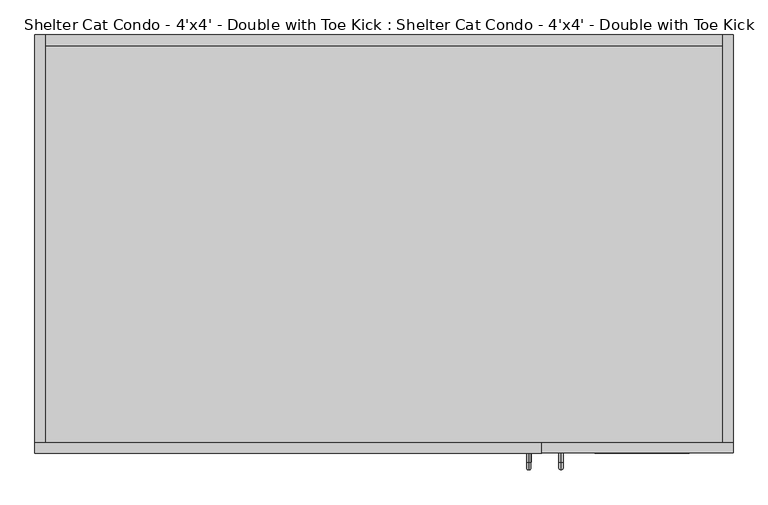
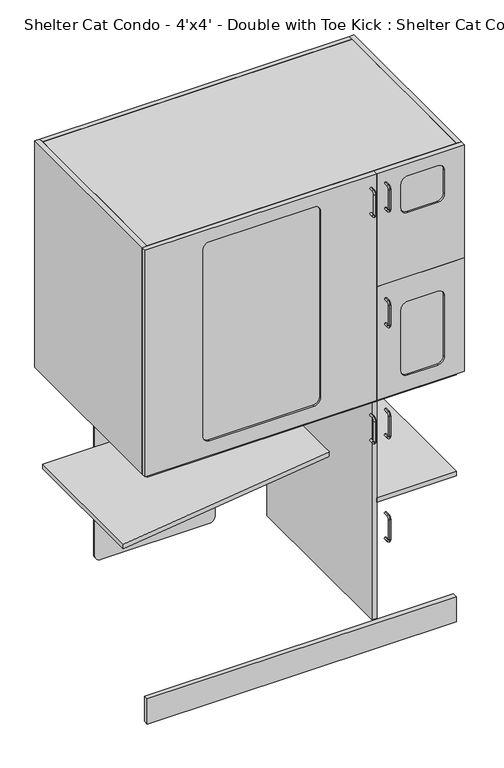
"""IFC4 building model written with IfcOpenShell, lengths in millimetres: proxy geometry, Shelter Cat Condo - 4'x4' - Double with Toe Kick : Shelter Cat Condo - 4'x4' - Double with Toe Kick."""

from ifc_helpers import new_model, si_unit, point, frame, frame_2d, origin, origin_with_axes, place, context, project, spatial, polyline, circle_curve, ellipse_curve, trimmed, segment, composite_curve, outline, extrude, source, transform, mapped, element, save
from ifc_brep_helpers import plane_surface, cylinder_surface, revolved_surface, advanced_brep


def shelter_cat_condo_4_x4_double_with_toe_kick_shelter_cat_0fa7df83(model_context):
    return source(origin(), model_context, "Body", "SolidModel", [
        advanced_brep(
        [(-300.4311186, -18.7492455, 1877.2618154), (-300.4311186, -18.7492455, 1885.1131846), (-300.4311186, -34.9110223, 1885.1131846), (-300.4311186, -34.9110223, 1877.2618154), (-300.4311186, -48.0749301, 1871.9492768), (-300.4311186, -40.2235609, 1871.9492768), (-300.4311186, -48.0749301, 1788.8257232), (-300.4311186, -40.2235609, 1788.8257232), (-300.4311186, -34.9110223, 1775.6618154), (-300.4311186, -34.9110223, 1783.5131846), (-300.4311186, -18.7492455, 1783.5131846), (-300.4311186, -18.7492455, 1775.6618154)],
        [
            (0, 1, circle_curve(frame((-300.4311186, -18.7492455, 1881.1875), z_axis=(0.0, 1.0, 0.0), x_axis=(0.0, 0.0, 1.0)), 3.9256846)),
            (1, 0, circle_curve(frame((-300.4311186, -18.7492455, 1881.1875), z_axis=(0.0, 1.0, 0.0), x_axis=(0.0, 0.0, 1.0)), 3.9256846)),
            (1, 2),
            (2, 3, circle_curve(frame((-300.4311186, -34.9110223, 1881.1875), z_axis=(0.0, 1.0, 0.0), x_axis=(0.0, 0.0, 1.0)), 3.9256846)),
            (3, 0),
            (3, 2, circle_curve(frame((-300.4311186, -34.9110223, 1881.1875), z_axis=(0.0, 1.0, 0.0), x_axis=(0.0, 0.0, 1.0)), 3.9256846)),
            (4, 5, circle_curve(frame((-300.4311186, -44.1492455, 1871.9492768), z_axis=(0.0, 0.0, 1.0), x_axis=(0.0, -1.0, 0.0)), 3.9256846)),
            (5, 3, circle_curve(frame((-300.4311186, -34.9110223, 1871.9492768), z_axis=(-1.0, 0.0, 0.0), x_axis=(0.0, 0.0, 1.0)), 5.3125387)),
            (2, 4, circle_curve(frame((-300.4311186, -34.9110223, 1871.9492768), z_axis=(1.0, 0.0, 0.0), x_axis=(0.0, 0.0, 1.0)), 13.1639078)),
            (5, 4, circle_curve(frame((-300.4311186, -44.1492455, 1871.9492768), z_axis=(0.0, 0.0, 1.0), x_axis=(0.0, -1.0, 0.0)), 3.9256846)),
            (4, 6),
            (6, 7, circle_curve(frame((-300.4311186, -44.1492455, 1788.8257232), z_axis=(0.0, 0.0, 1.0), x_axis=(0.0, -1.0, 0.0)), 3.9256846)),
            (7, 5),
            (7, 6, circle_curve(frame((-300.4311186, -44.1492455, 1788.8257232), z_axis=(0.0, 0.0, 1.0), x_axis=(0.0, -1.0, 0.0)), 3.9256846)),
            (8, 9, circle_curve(frame((-300.4311186, -34.9110223, 1779.5875), z_axis=(0.0, -1.0, 0.0), x_axis=(0.0, 0.0, -1.0)), 3.9256846)),
            (9, 7, circle_curve(frame((-300.4311186, -34.9110223, 1788.8257232), z_axis=(-1.0, 0.0, 0.0), x_axis=(0.0, -1.0, 0.0)), 5.3125387)),
            (6, 8, circle_curve(frame((-300.4311186, -34.9110223, 1788.8257232), z_axis=(1.0, 0.0, 0.0), x_axis=(0.0, -1.0, 0.0)), 13.1639078)),
            (9, 8, circle_curve(frame((-300.4311186, -34.9110223, 1779.5875), z_axis=(0.0, -1.0, 0.0), x_axis=(0.0, 0.0, -1.0)), 3.9256846)),
            (10, 11, circle_curve(frame((-300.4311186, -18.7492455, 1779.5875), z_axis=(0.0, 1.0, 0.0), x_axis=(0.0, 0.0, -1.0)), 3.9256846)),
            (11, 10, circle_curve(frame((-300.4311186, -18.7492455, 1779.5875), z_axis=(0.0, 1.0, 0.0), x_axis=(0.0, 0.0, -1.0)), 3.9256846)),
            (8, 11),
            (10, 9),
        ],
        [
            plane_surface(frame((-300.4311186, -18.7492455, 1881.1875), z_axis=(0.0, 1.0, 0.0), x_axis=(-1.0, 0.0, 0.0))),
            cylinder_surface(frame((-300.4311186, -18.7492455, 1881.1875), z_axis=(0.0, 1.0, 0.0), x_axis=(0.0, 0.0, 1.0)), 3.9256846),
            revolved_surface(trimmed(ellipse_curve(frame((-300.4311186, -34.9110223, 1881.1875), z_axis=(0.0, -1.0, 0.0), x_axis=(0.0, 0.0, 1.0)), 3.9256846, 3.9256846), [point((-300.4311186, -34.9110223, 1877.2618154))], [point((-300.4311186, -34.9110223, 1885.1131846))], True, "CARTESIAN"), (-300.4311186, -34.9110223, 1871.9492768), (-1.0, 0.0, 0.0)),
            revolved_surface(trimmed(ellipse_curve(frame((-300.4311186, -34.9110223, 1881.1875), z_axis=(0.0, -1.0, 0.0), x_axis=(0.0, 0.0, 1.0)), 3.9256846, 3.9256846), [point((-300.4311186, -34.9110223, 1885.1131846))], [point((-300.4311186, -34.9110223, 1877.2618154))], True, "CARTESIAN"), (-300.4311186, -34.9110223, 1871.9492768), (-1.0, 0.0, 0.0)),
            cylinder_surface(frame((-300.4311186, -44.1492455, 1871.9492768), z_axis=(0.0, 0.0, 1.0), x_axis=(0.0, -1.0, 0.0)), 3.9256846),
            revolved_surface(trimmed(ellipse_curve(frame((-300.4311186, -44.1492455, 1788.8257232), z_axis=(0.0, 0.0, -1.0), x_axis=(0.0, -1.0, 0.0)), 3.9256846, 3.9256846), [point((-300.4311186, -40.2235609, 1788.8257232))], [point((-300.4311186, -48.0749301, 1788.8257232))], True, "CARTESIAN"), (-300.4311186, -34.9110223, 1788.8257232), (-1.0, 0.0, 0.0)),
            revolved_surface(trimmed(ellipse_curve(frame((-300.4311186, -44.1492455, 1788.8257232), z_axis=(0.0, 0.0, -1.0), x_axis=(0.0, -1.0, 0.0)), 3.9256846, 3.9256846), [point((-300.4311186, -48.0749301, 1788.8257232))], [point((-300.4311186, -40.2235609, 1788.8257232))], True, "CARTESIAN"), (-300.4311186, -34.9110223, 1788.8257232), (-1.0, 0.0, 0.0)),
            plane_surface(frame((-300.4311186, -18.7492455, 1779.5875), z_axis=(0.0, 1.0, 0.0), x_axis=(-1.0, 0.0, 0.0))),
            cylinder_surface(frame((-300.4311186, -34.9110223, 1779.5875), z_axis=(0.0, -1.0, 0.0), x_axis=(0.0, 0.0, -1.0)), 3.9256846),
        ],
        [
            (0, [[1, 2]]),
            (1, [[3, 4, 5, -2]]),
            (1, [[-5, 6, -3, -1]]),
            (2, [[7, 8, -4, 9]]),
            (3, [[10, -9, -6, -8]]),
            (4, [[11, 12, 13, -7]]),
            (4, [[-13, 14, -11, -10]]),
            (5, [[15, 16, -12, 17]]),
            (6, [[18, -17, -14, -16]]),
            (7, [[19, 20]]),
            (8, [[21, -19, 22, -15]]),
            (8, [[-22, -20, -21, -18]]),
        ],
    ),
        advanced_brep(
        [(-300.4311186, -18.7492455, 1410.5368154), (-300.4311186, -18.7492455, 1418.3881846), (-300.4311186, -34.9110223, 1418.3881846), (-300.4311186, -34.9110223, 1410.5368154), (-300.4311186, -48.0749301, 1405.2242768), (-300.4311186, -40.2235609, 1405.2242768), (-300.4311186, -48.0749301, 1322.1007232), (-300.4311186, -40.2235609, 1322.1007232), (-300.4311186, -34.9110223, 1308.9368154), (-300.4311186, -34.9110223, 1316.7881846), (-300.4311186, -18.7492455, 1316.7881846), (-300.4311186, -18.7492455, 1308.9368154)],
        [
            (0, 1, circle_curve(frame((-300.4311186, -18.7492455, 1414.4625), z_axis=(0.0, 1.0, 0.0), x_axis=(0.0, 0.0, 1.0)), 3.9256846)),
            (1, 0, circle_curve(frame((-300.4311186, -18.7492455, 1414.4625), z_axis=(0.0, 1.0, 0.0), x_axis=(0.0, 0.0, 1.0)), 3.9256846)),
            (1, 2),
            (2, 3, circle_curve(frame((-300.4311186, -34.9110223, 1414.4625), z_axis=(0.0, 1.0, 0.0), x_axis=(0.0, 0.0, 1.0)), 3.9256846)),
            (3, 0),
            (3, 2, circle_curve(frame((-300.4311186, -34.9110223, 1414.4625), z_axis=(0.0, 1.0, 0.0), x_axis=(0.0, 0.0, 1.0)), 3.9256846)),
            (4, 5, circle_curve(frame((-300.4311186, -44.1492455, 1405.2242768), z_axis=(0.0, 0.0, 1.0), x_axis=(0.0, -1.0, 0.0)), 3.9256846)),
            (5, 3, circle_curve(frame((-300.4311186, -34.9110223, 1405.2242768), z_axis=(-1.0, 0.0, 0.0), x_axis=(0.0, 0.0, 1.0)), 5.3125387)),
            (2, 4, circle_curve(frame((-300.4311186, -34.9110223, 1405.2242768), z_axis=(1.0, 0.0, 0.0), x_axis=(0.0, 0.0, 1.0)), 13.1639078)),
            (5, 4, circle_curve(frame((-300.4311186, -44.1492455, 1405.2242768), z_axis=(0.0, 0.0, 1.0), x_axis=(0.0, -1.0, 0.0)), 3.9256846)),
            (4, 6),
            (6, 7, circle_curve(frame((-300.4311186, -44.1492455, 1322.1007232), z_axis=(0.0, 0.0, 1.0), x_axis=(0.0, -1.0, 0.0)), 3.9256846)),
            (7, 5),
            (7, 6, circle_curve(frame((-300.4311186, -44.1492455, 1322.1007232), z_axis=(0.0, 0.0, 1.0), x_axis=(0.0, -1.0, 0.0)), 3.9256846)),
            (8, 9, circle_curve(frame((-300.4311186, -34.9110223, 1312.8625), z_axis=(0.0, -1.0, 0.0), x_axis=(0.0, 0.0, -1.0)), 3.9256846)),
            (9, 7, circle_curve(frame((-300.4311186, -34.9110223, 1322.1007232), z_axis=(-1.0, 0.0, 0.0), x_axis=(0.0, -1.0, 0.0)), 5.3125387)),
            (6, 8, circle_curve(frame((-300.4311186, -34.9110223, 1322.1007232), z_axis=(1.0, 0.0, 0.0), x_axis=(0.0, -1.0, 0.0)), 13.1639078)),
            (9, 8, circle_curve(frame((-300.4311186, -34.9110223, 1312.8625), z_axis=(0.0, -1.0, 0.0), x_axis=(0.0, 0.0, -1.0)), 3.9256846)),
            (10, 11, circle_curve(frame((-300.4311186, -18.7492455, 1312.8625), z_axis=(0.0, 1.0, 0.0), x_axis=(0.0, 0.0, -1.0)), 3.9256846)),
            (11, 10, circle_curve(frame((-300.4311186, -18.7492455, 1312.8625), z_axis=(0.0, 1.0, 0.0), x_axis=(0.0, 0.0, -1.0)), 3.9256846)),
            (8, 11),
            (10, 9),
        ],
        [
            plane_surface(frame((-300.4311186, -18.7492455, 1414.4625), z_axis=(0.0, 1.0, 0.0), x_axis=(-1.0, 0.0, 0.0))),
            cylinder_surface(frame((-300.4311186, -18.7492455, 1414.4625), z_axis=(0.0, 1.0, 0.0), x_axis=(0.0, 0.0, 1.0)), 3.9256846),
            revolved_surface(trimmed(ellipse_curve(frame((-300.4311186, -34.9110223, 1414.4625), z_axis=(0.0, -1.0, 0.0), x_axis=(0.0, 0.0, 1.0)), 3.9256846, 3.9256846), [point((-300.4311186, -34.9110223, 1410.5368154))], [point((-300.4311186, -34.9110223, 1418.3881846))], True, "CARTESIAN"), (-300.4311186, -34.9110223, 1405.2242768), (-1.0, 0.0, 0.0)),
            revolved_surface(trimmed(ellipse_curve(frame((-300.4311186, -34.9110223, 1414.4625), z_axis=(0.0, -1.0, 0.0), x_axis=(0.0, 0.0, 1.0)), 3.9256846, 3.9256846), [point((-300.4311186, -34.9110223, 1418.3881846))], [point((-300.4311186, -34.9110223, 1410.5368154))], True, "CARTESIAN"), (-300.4311186, -34.9110223, 1405.2242768), (-1.0, 0.0, 0.0)),
            cylinder_surface(frame((-300.4311186, -44.1492455, 1405.2242768), z_axis=(0.0, 0.0, 1.0), x_axis=(0.0, -1.0, 0.0)), 3.9256846),
            revolved_surface(trimmed(ellipse_curve(frame((-300.4311186, -44.1492455, 1322.1007232), z_axis=(0.0, 0.0, -1.0), x_axis=(0.0, -1.0, 0.0)), 3.9256846, 3.9256846), [point((-300.4311186, -40.2235609, 1322.1007232))], [point((-300.4311186, -48.0749301, 1322.1007232))], True, "CARTESIAN"), (-300.4311186, -34.9110223, 1322.1007232), (-1.0, 0.0, 0.0)),
            revolved_surface(trimmed(ellipse_curve(frame((-300.4311186, -44.1492455, 1322.1007232), z_axis=(0.0, 0.0, -1.0), x_axis=(0.0, -1.0, 0.0)), 3.9256846, 3.9256846), [point((-300.4311186, -48.0749301, 1322.1007232))], [point((-300.4311186, -40.2235609, 1322.1007232))], True, "CARTESIAN"), (-300.4311186, -34.9110223, 1322.1007232), (-1.0, 0.0, 0.0)),
            plane_surface(frame((-300.4311186, -18.7492455, 1312.8625), z_axis=(0.0, 1.0, 0.0), x_axis=(-1.0, 0.0, 0.0))),
            cylinder_surface(frame((-300.4311186, -34.9110223, 1312.8625), z_axis=(0.0, -1.0, 0.0), x_axis=(0.0, 0.0, -1.0)), 3.9256846),
        ],
        [
            (0, [[1, 2]]),
            (1, [[3, 4, 5, -2]]),
            (1, [[-5, 6, -3, -1]]),
            (2, [[7, 8, -4, 9]]),
            (3, [[10, -9, -6, -8]]),
            (4, [[11, 12, 13, -7]]),
            (4, [[-13, 14, -11, -10]]),
            (5, [[15, 16, -12, 17]]),
            (6, [[18, -17, -14, -16]]),
            (7, [[19, 20]]),
            (8, [[21, -19, 22, -15]]),
            (8, [[-22, -20, -21, -18]]),
        ],
    ),
        advanced_brep(
        [(-356.8121577, -19.05, 1875.6743154), (-356.8121577, -19.05, 1883.5256846), (-356.8121577, -35.2117768, 1875.6743154), (-356.8121577, -35.2117768, 1883.5256846), (-356.8121577, -48.3756846, 1870.3617768), (-356.8121577, -40.5243154, 1870.3617768), (-356.8121577, -40.5243154, 1787.2382232), (-356.8121577, -48.3756846, 1787.2382232), (-356.8121577, -35.2117768, 1774.0743154), (-356.8121577, -35.2117768, 1781.9256846), (-356.8121577, -19.05, 1781.9256846), (-356.8121577, -19.05, 1774.0743154)],
        [
            (0, 1, circle_curve(frame((-356.8121577, -19.05, 1879.6), z_axis=(0.0, 1.0, 0.0), x_axis=(0.0, 0.0, 1.0)), 3.9256846)),
            (1, 0, circle_curve(frame((-356.8121577, -19.05, 1879.6), z_axis=(0.0, 1.0, 0.0), x_axis=(0.0, 0.0, 1.0)), 3.9256846)),
            (0, 2),
            (2, 3, circle_curve(frame((-356.8121577, -35.2117768, 1879.6), z_axis=(0.0, 1.0, 0.0), x_axis=(0.0, 0.0, 1.0)), 3.9256846)),
            (3, 1),
            (3, 2, circle_curve(frame((-356.8121577, -35.2117768, 1879.6), z_axis=(0.0, 1.0, 0.0), x_axis=(0.0, 0.0, 1.0)), 3.9256846)),
            (4, 3, circle_curve(frame((-356.8121577, -35.2117768, 1870.3617768), z_axis=(-1.0, 0.0, 0.0), x_axis=(0.0, 0.0, 1.0)), 13.1639078)),
            (2, 5, circle_curve(frame((-356.8121577, -35.2117768, 1870.3617768), z_axis=(1.0, 0.0, 0.0), x_axis=(0.0, 0.0, 1.0)), 5.3125387)),
            (5, 4, circle_curve(frame((-356.8121577, -44.45, 1870.3617768), z_axis=(0.0, 0.0, 1.0), x_axis=(0.0, -1.0, 0.0)), 3.9256846)),
            (4, 5, circle_curve(frame((-356.8121577, -44.45, 1870.3617768), z_axis=(0.0, 0.0, 1.0), x_axis=(0.0, -1.0, 0.0)), 3.9256846)),
            (5, 6),
            (6, 7, circle_curve(frame((-356.8121577, -44.45, 1787.2382232), z_axis=(0.0, 0.0, 1.0), x_axis=(0.0, -1.0, 0.0)), 3.9256846)),
            (7, 4),
            (7, 6, circle_curve(frame((-356.8121577, -44.45, 1787.2382232), z_axis=(0.0, 0.0, 1.0), x_axis=(0.0, -1.0, 0.0)), 3.9256846)),
            (8, 7, circle_curve(frame((-356.8121577, -35.2117768, 1787.2382232), z_axis=(-1.0, 0.0, 0.0), x_axis=(0.0, -1.0, 0.0)), 13.1639078)),
            (6, 9, circle_curve(frame((-356.8121577, -35.2117768, 1787.2382232), z_axis=(1.0, 0.0, 0.0), x_axis=(0.0, -1.0, 0.0)), 5.3125387)),
            (9, 8, circle_curve(frame((-356.8121577, -35.2117768, 1778.0), z_axis=(0.0, -1.0, 0.0), x_axis=(0.0, 0.0, -1.0)), 3.9256846)),
            (8, 9, circle_curve(frame((-356.8121577, -35.2117768, 1778.0), z_axis=(0.0, -1.0, 0.0), x_axis=(0.0, 0.0, -1.0)), 3.9256846)),
            (10, 11, circle_curve(frame((-356.8121577, -19.05, 1778.0), z_axis=(0.0, 1.0, 0.0), x_axis=(0.0, 0.0, -1.0)), 3.9256846)),
            (11, 10, circle_curve(frame((-356.8121577, -19.05, 1778.0), z_axis=(0.0, 1.0, 0.0), x_axis=(0.0, 0.0, -1.0)), 3.9256846)),
            (9, 10),
            (11, 8),
        ],
        [
            plane_surface(frame((-356.8121577, -19.05, 1879.6), z_axis=(0.0, 1.0, 0.0), x_axis=(1.0, 0.0, 0.0))),
            cylinder_surface(frame((-356.8121577, -19.05, 1879.6), z_axis=(0.0, 1.0, 0.0), x_axis=(0.0, 0.0, 1.0)), 3.9256846),
            revolved_surface(trimmed(ellipse_curve(frame((-356.8121577, -35.2117768, 1879.6), z_axis=(0.0, 1.0, 0.0), x_axis=(0.0, 0.0, 1.0)), 3.9256846, 3.9256846), [point((-356.8121577, -35.2117768, 1875.6743154))], [point((-356.8121577, -35.2117768, 1883.5256846))], True, "CARTESIAN"), (-356.8121577, -35.2117768, 1870.3617768), (1.0, 0.0, 0.0)),
            revolved_surface(trimmed(ellipse_curve(frame((-356.8121577, -35.2117768, 1879.6), z_axis=(0.0, 1.0, 0.0), x_axis=(0.0, 0.0, 1.0)), 3.9256846, 3.9256846), [point((-356.8121577, -35.2117768, 1883.5256846))], [point((-356.8121577, -35.2117768, 1875.6743154))], True, "CARTESIAN"), (-356.8121577, -35.2117768, 1870.3617768), (1.0, 0.0, 0.0)),
            cylinder_surface(frame((-356.8121577, -44.45, 1870.3617768), z_axis=(0.0, 0.0, 1.0), x_axis=(0.0, -1.0, 0.0)), 3.9256846),
            revolved_surface(trimmed(ellipse_curve(frame((-356.8121577, -44.45, 1787.2382232), z_axis=(0.0, 0.0, 1.0), x_axis=(0.0, -1.0, 0.0)), 3.9256846, 3.9256846), [point((-356.8121577, -40.5243154, 1787.2382232))], [point((-356.8121577, -48.3756846, 1787.2382232))], True, "CARTESIAN"), (-356.8121577, -35.2117768, 1787.2382232), (1.0, 0.0, 0.0)),
            revolved_surface(trimmed(ellipse_curve(frame((-356.8121577, -44.45, 1787.2382232), z_axis=(0.0, 0.0, 1.0), x_axis=(0.0, -1.0, 0.0)), 3.9256846, 3.9256846), [point((-356.8121577, -48.3756846, 1787.2382232))], [point((-356.8121577, -40.5243154, 1787.2382232))], True, "CARTESIAN"), (-356.8121577, -35.2117768, 1787.2382232), (1.0, 0.0, 0.0)),
            plane_surface(frame((-356.8121577, -19.05, 1778.0), z_axis=(0.0, 1.0, 0.0), x_axis=(1.0, 0.0, 0.0))),
            cylinder_surface(frame((-356.8121577, -35.2117768, 1778.0), z_axis=(0.0, -1.0, 0.0), x_axis=(0.0, 0.0, -1.0)), 3.9256846),
        ],
        [
            (0, [[1, 2]]),
            (1, [[-1, 3, 4, 5]]),
            (1, [[-2, -5, 6, -3]]),
            (2, [[7, -4, 8, 9]]),
            (3, [[-8, -6, -7, 10]]),
            (4, [[-9, 11, 12, 13]]),
            (4, [[-10, -13, 14, -11]]),
            (5, [[15, -12, 16, 17]]),
            (6, [[-16, -14, -15, 18]]),
            (7, [[19, 20]]),
            (8, [[-17, 21, -20, 22]]),
            (8, [[-18, -22, -19, -21]]),
        ],
    ),
        extrude(outline(polyline([(1930.4, -19.05), (1930.4, -1200.15), (1016.0, -1200.15), (1016.0, -19.05), (1930.4, -19.05)]), holes=[composite_curve([segment(polyline([(1854.2, -547.8058786), (1101.725, -547.8058786)]), True, "CONTINUOUS"), segment(trimmed(circle_curve(frame_2d((1101.725, -573.2058786)), 25.4), [point((1101.725, -547.8058786))], [point((1076.325, -573.2058786))], True, "CARTESIAN"), True, "CONTINUOUS"), segment(polyline([(1076.325, -573.2058786), (1076.325, -972.7319653)]), True, "CONTINUOUS"), segment(trimmed(circle_curve(frame_2d((1101.725, -972.7319653)), 25.4), [point((1076.325, -972.7319653))], [point((1101.725, -998.1319653))], True, "CARTESIAN"), True, "CONTINUOUS"), segment(polyline([(1101.725, -998.1319653), (1854.2, -998.1319653)]), True, "CONTINUOUS"), segment(trimmed(circle_curve(frame_2d((1854.2, -972.7319653)), 25.4), [point((1854.2, -998.1319653))], [point((1879.6, -972.7319653))], True, "CARTESIAN"), True, "CONTINUOUS"), segment(polyline([(1879.6, -972.7319653), (1879.6, -573.2058786)]), True, "CONTINUOUS"), segment(trimmed(circle_curve(frame_2d((1854.2, -573.2058786)), 25.4), [point((1879.6, -573.2058786))], [point((1854.2, -547.8058786))], True, "CARTESIAN"), True, "CONTINUOUS")], self_intersect=False)]), frame((0.0, 692.15, 0.0), z_axis=(0.0, 1.0, 0.0), x_axis=(0.0, 0.0, 1.0)), (0.0, 0.0, 1.0), 19.05),
        extrude(outline(polyline([(-19.05, 692.15), (-19.05, 0.0), (-323.85, 0.0), (-323.85, 692.15), (-19.05, 692.15)])), frame((0.0, 0.0, 1503.3625), z_axis=(0.0, 0.0, 1.0), x_axis=(1.0, 0.0, 0.0)), (0.0, 0.0, 1.0), 19.05),
        extrude(outline(polyline([(-19.05, 692.15), (-19.05, 0.0), (-1200.15, 0.0), (-1200.15, 692.15), (-19.05, 692.15)])), frame((0.0, 0.0, 1911.35), z_axis=(0.0, 0.0, 1.0), x_axis=(1.0, 0.0, 0.0)), (0.0, 0.0, 1.0), 19.05),
        extrude(outline(polyline([(-342.9, 692.15), (-323.85, 692.15), (-323.85, 0.0), (-342.9, 0.0), (-342.9, 692.15)])), frame((0.0, 0.0, 1035.05), z_axis=(0.0, 0.0, 1.0), x_axis=(1.0, 0.0, 0.0)), (0.0, 0.0, 1.0), 876.3),
        extrude(outline(composite_curve([segment(polyline([(1879.6, -563.9176359), (1879.6, -972.7319653)]), True, "CONTINUOUS"), segment(trimmed(circle_curve(frame_2d((1854.2, -972.7319653)), 25.4), [point((1879.6, -972.7319653))], [point((1854.2, -998.1319653))], False, "CARTESIAN"), True, "CONTINUOUS"), segment(polyline([(1854.2, -998.1319653), (1101.725, -998.1319653)]), True, "CONTINUOUS"), segment(trimmed(circle_curve(frame_2d((1101.725, -972.7319653)), 25.4), [point((1101.725, -998.1319653))], [point((1076.325, -972.7319653))], False, "CARTESIAN"), True, "CONTINUOUS"), segment(polyline([(1076.325, -972.7319653), (1076.325, -563.9176359)]), True, "CONTINUOUS"), segment(trimmed(circle_curve(frame_2d((1101.725, -563.9176359)), 25.4), [point((1076.325, -563.9176359))], [point((1101.725, -538.5176359))], False, "CARTESIAN"), True, "CONTINUOUS"), segment(polyline([(1101.725, -538.5176359), (1854.2, -538.5176359)]), True, "CONTINUOUS"), segment(trimmed(circle_curve(frame_2d((1854.2, -563.9176359)), 25.4), [point((1854.2, -538.5176359))], [point((1879.6, -563.9176359))], False, "CARTESIAN"), True, "CONTINUOUS")], self_intersect=False)), frame((0.0, 698.5, 0.0), z_axis=(0.0, 1.0, 0.0), x_axis=(0.0, 0.0, 1.0)), (0.0, 0.0, 1.0), 6.35),
        extrude(outline(polyline([(-342.9, 692.15), (-342.9, 279.4), (-1200.15, 158.75), (-1200.15, 692.15), (-342.9, 692.15)])), frame((0.0, 0.0, 1464.2277216), z_axis=(0.0, 0.0, 1.0), x_axis=(1.0, 0.0, 0.0)), (0.0, 0.0, 1.0), 19.05),
        extrude(outline(polyline([(-19.05, 0.0), (-1200.15, 0.0), (-1200.15, 692.15), (-19.05, 692.15), (-19.05, 0.0)])), frame((0.0, 0.0, 1016.0), z_axis=(0.0, 0.0, 1.0), x_axis=(1.0, 0.0, 0.0)), (0.0, 0.0, 1.0), 19.05),
        extrude(outline(polyline([(-19.05, 711.2), (0.0, 711.2), (0.0, 0.0), (-19.05, 0.0), (-19.05, 711.2)])), frame((0.0, 0.0, 1016.0), z_axis=(0.0, 0.0, 1.0), x_axis=(1.0, 0.0, 0.0)), (0.0, 0.0, 1.0), 914.4),
        extrude(outline(polyline([(-1200.15, 711.2), (-1200.15, 0.0), (-1219.2, 0.0), (-1219.2, 711.2), (-1200.15, 711.2)])), frame((0.0, 0.0, 1016.0), z_axis=(0.0, 0.0, 1.0), x_axis=(1.0, 0.0, 0.0)), (0.0, 0.0, 1.0), 914.4),
        extrude(outline(polyline([(1473.2, 0.0), (1473.2, -334.0187348), (1016.0, -334.0187348), (1016.0, 0.0), (1473.2, 0.0)]), holes=[composite_curve([segment(polyline([(1373.1875, -215.9), (1373.1875, -101.6)]), True, "CONTINUOUS"), segment(trimmed(circle_curve(frame_2d((1347.7875, -101.6)), 25.4), [point((1373.1875, -101.6))], [point((1347.7875, -76.2))], True, "CARTESIAN"), True, "CONTINUOUS"), segment(polyline([(1347.7875, -76.2), (1101.725, -76.2)]), True, "CONTINUOUS"), segment(trimmed(circle_curve(frame_2d((1101.725, -101.6)), 25.4), [point((1101.725, -76.2))], [point((1076.325, -101.6))], True, "CARTESIAN"), True, "CONTINUOUS"), segment(polyline([(1076.325, -101.6), (1076.325, -215.9)]), True, "CONTINUOUS"), segment(trimmed(circle_curve(frame_2d((1101.725, -215.9)), 25.4), [point((1076.325, -215.9))], [point((1101.725, -241.3))], True, "CARTESIAN"), True, "CONTINUOUS"), segment(polyline([(1101.725, -241.3), (1347.7875, -241.3)]), True, "CONTINUOUS"), segment(trimmed(circle_curve(frame_2d((1347.7875, -215.9)), 25.4), [point((1347.7875, -241.3))], [point((1373.1875, -215.9))], True, "CARTESIAN"), True, "CONTINUOUS")], self_intersect=False)]), frame((0.0, -18.7492455, 0.0), z_axis=(0.0, 1.0, 0.0), x_axis=(0.0, 0.0, 1.0)), (0.0, 0.0, 1.0), 19.05),
        extrude(outline(polyline([(1930.4, 0.0), (1930.4, -334.0187348), (1473.2, -334.0187348), (1473.2, 0.0), (1930.4, 0.0)]), holes=[composite_curve([segment(polyline([(1879.6, -215.9), (1879.6, -101.6)]), True, "CONTINUOUS"), segment(trimmed(circle_curve(frame_2d((1854.2, -101.6)), 25.4), [point((1879.6, -101.6))], [point((1854.2, -76.2))], True, "CARTESIAN"), True, "CONTINUOUS"), segment(polyline([(1854.2, -76.2), (1757.8355774, -76.2)]), True, "CONTINUOUS"), segment(trimmed(circle_curve(frame_2d((1757.8355774, -101.6)), 25.4), [point((1757.8355774, -76.2))], [point((1732.4355774, -101.6))], True, "CARTESIAN"), True, "CONTINUOUS"), segment(polyline([(1732.4355774, -101.6), (1732.4355774, -215.9)]), True, "CONTINUOUS"), segment(trimmed(circle_curve(frame_2d((1757.8355774, -215.9)), 25.4), [point((1732.4355774, -215.9))], [point((1757.8355774, -241.3))], True, "CARTESIAN"), True, "CONTINUOUS"), segment(polyline([(1757.8355774, -241.3), (1854.2, -241.3)]), True, "CONTINUOUS"), segment(trimmed(circle_curve(frame_2d((1854.2, -215.9)), 25.4), [point((1854.2, -241.3))], [point((1879.6, -215.9))], True, "CARTESIAN"), True, "CONTINUOUS")], self_intersect=False)]), frame((0.0, -18.7492455, 0.0), z_axis=(0.0, 1.0, 0.0), x_axis=(0.0, 0.0, 1.0)), (0.0, 0.0, 1.0), 19.05),
        extrude(outline(polyline([(1930.4, -334.0187348), (1930.4, -1219.2), (1016.0, -1219.2), (1016.0, -334.0187348), (1930.4, -334.0187348)]), holes=[composite_curve([segment(polyline([(1854.2, -549.1512666), (1101.725, -549.1512666)]), True, "CONTINUOUS"), segment(trimmed(circle_curve(frame_2d((1101.725, -574.5512666)), 25.4), [point((1101.725, -549.1512666))], [point((1076.325, -574.5512666))], True, "CARTESIAN"), True, "CONTINUOUS"), segment(polyline([(1076.325, -574.5512666), (1076.325, -973.2558786)]), True, "CONTINUOUS"), segment(trimmed(circle_curve(frame_2d((1101.725, -973.2558786)), 25.4), [point((1076.325, -973.2558786))], [point((1101.725, -998.6558786))], True, "CARTESIAN"), True, "CONTINUOUS"), segment(polyline([(1101.725, -998.6558786), (1854.2, -998.6558786)]), True, "CONTINUOUS"), segment(trimmed(circle_curve(frame_2d((1854.2, -973.2558786)), 25.4), [point((1854.2, -998.6558786))], [point((1879.6, -973.2558786))], True, "CARTESIAN"), True, "CONTINUOUS"), segment(polyline([(1879.6, -973.2558786), (1879.6, -574.5512666)]), True, "CONTINUOUS"), segment(trimmed(circle_curve(frame_2d((1854.2, -574.5512666)), 25.4), [point((1879.6, -574.5512666))], [point((1854.2, -549.1512666))], True, "CARTESIAN"), True, "CONTINUOUS")], self_intersect=False)]), frame((0.0, -19.05, 0.0), z_axis=(0.0, 1.0, 0.0), x_axis=(0.0, 0.0, 1.0)), (0.0, 0.0, 1.0), 19.05),
        extrude(outline(composite_curve([segment(polyline([(1879.6, -101.6), (1879.6, -215.9)]), True, "CONTINUOUS"), segment(trimmed(circle_curve(frame_2d((1854.2, -215.9)), 25.4), [point((1879.6, -215.9))], [point((1854.2, -241.3))], False, "CARTESIAN"), True, "CONTINUOUS"), segment(polyline([(1854.2, -241.3), (1757.8355774, -241.3)]), True, "CONTINUOUS"), segment(trimmed(circle_curve(frame_2d((1757.8355774, -215.9)), 25.4), [point((1757.8355774, -241.3))], [point((1732.4355774, -215.9))], False, "CARTESIAN"), True, "CONTINUOUS"), segment(polyline([(1732.4355774, -215.9), (1732.4355774, -101.6)]), True, "CONTINUOUS"), segment(trimmed(circle_curve(frame_2d((1757.8355774, -101.6)), 25.4), [point((1732.4355774, -101.6))], [point((1757.8355774, -76.2))], False, "CARTESIAN"), True, "CONTINUOUS"), segment(polyline([(1757.8355774, -76.2), (1854.2, -76.2)]), True, "CONTINUOUS"), segment(trimmed(circle_curve(frame_2d((1854.2, -101.6)), 25.4), [point((1854.2, -76.2))], [point((1879.6, -101.6))], False, "CARTESIAN"), True, "CONTINUOUS")], self_intersect=False)), frame((0.0, -12.7, 0.0), z_axis=(0.0, 1.0, 0.0), x_axis=(0.0, 0.0, 1.0)), (0.0, 0.0, 1.0), 6.35),
        extrude(outline(composite_curve([segment(polyline([(1879.6, -101.6), (1879.6, -215.9)]), True, "CONTINUOUS"), segment(trimmed(circle_curve(frame_2d((1854.2, -215.9)), 25.4), [point((1879.6, -215.9))], [point((1854.2, -241.3))], False, "CARTESIAN"), True, "CONTINUOUS"), segment(polyline([(1854.2, -241.3), (1757.8355774, -241.3)]), True, "CONTINUOUS"), segment(trimmed(circle_curve(frame_2d((1757.8355774, -215.9)), 25.4), [point((1757.8355774, -241.3))], [point((1732.4355774, -215.9))], False, "CARTESIAN"), True, "CONTINUOUS"), segment(polyline([(1732.4355774, -215.9), (1732.4355774, -101.6)]), True, "CONTINUOUS"), segment(trimmed(circle_curve(frame_2d((1757.8355774, -101.6)), 25.4), [point((1732.4355774, -101.6))], [point((1757.8355774, -76.2))], False, "CARTESIAN"), True, "CONTINUOUS"), segment(polyline([(1757.8355774, -76.2), (1854.2, -76.2)]), True, "CONTINUOUS"), segment(trimmed(circle_curve(frame_2d((1854.2, -101.6)), 25.4), [point((1854.2, -76.2))], [point((1879.6, -101.6))], False, "CARTESIAN"), True, "CONTINUOUS")], self_intersect=False)), frame((0.0, -12.7, 0.0), z_axis=(0.0, 1.0, 0.0), x_axis=(0.0, 0.0, 1.0)), (0.0, 0.0, 1.0), 6.35),
        extrude(outline(composite_curve([segment(polyline([(1373.1875, -101.6), (1373.1875, -215.9)]), True, "CONTINUOUS"), segment(trimmed(circle_curve(frame_2d((1347.7875, -215.9)), 25.4), [point((1373.1875, -215.9))], [point((1347.7875, -241.3))], False, "CARTESIAN"), True, "CONTINUOUS"), segment(polyline([(1347.7875, -241.3), (1101.725, -241.3)]), True, "CONTINUOUS"), segment(trimmed(circle_curve(frame_2d((1101.725, -215.9)), 25.4), [point((1101.725, -241.3))], [point((1076.325, -215.9))], False, "CARTESIAN"), True, "CONTINUOUS"), segment(polyline([(1076.325, -215.9), (1076.325, -101.6)]), True, "CONTINUOUS"), segment(trimmed(circle_curve(frame_2d((1101.725, -101.6)), 25.4), [point((1076.325, -101.6))], [point((1101.725, -76.2))], False, "CARTESIAN"), True, "CONTINUOUS"), segment(polyline([(1101.725, -76.2), (1347.7875, -76.2)]), True, "CONTINUOUS"), segment(trimmed(circle_curve(frame_2d((1347.7875, -101.6)), 25.4), [point((1347.7875, -76.2))], [point((1373.1875, -101.6))], False, "CARTESIAN"), True, "CONTINUOUS")], self_intersect=False)), frame((0.0, -12.7, 0.0), z_axis=(0.0, 1.0, 0.0), x_axis=(0.0, 0.0, 1.0)), (0.0, 0.0, 1.0), 6.35),
        extrude(outline(composite_curve([segment(polyline([(1879.6, -573.2058786), (1879.6, -973.2558786)]), True, "CONTINUOUS"), segment(trimmed(circle_curve(frame_2d((1854.2, -973.2558786)), 25.4), [point((1879.6, -973.2558786))], [point((1854.2, -998.6558786))], False, "CARTESIAN"), True, "CONTINUOUS"), segment(polyline([(1854.2, -998.6558786), (1101.725, -998.6558786)]), True, "CONTINUOUS"), segment(trimmed(circle_curve(frame_2d((1101.725, -973.2558786)), 25.4), [point((1101.725, -998.6558786))], [point((1076.325, -973.2558786))], False, "CARTESIAN"), True, "CONTINUOUS"), segment(polyline([(1076.325, -973.2558786), (1076.325, -573.2058786)]), True, "CONTINUOUS"), segment(trimmed(circle_curve(frame_2d((1101.725, -573.2058786)), 25.4), [point((1076.325, -573.2058786))], [point((1101.725, -547.8058786))], False, "CARTESIAN"), True, "CONTINUOUS"), segment(polyline([(1101.725, -547.8058786), (1854.2, -547.8058786)]), True, "CONTINUOUS"), segment(trimmed(circle_curve(frame_2d((1854.2, -573.2058786)), 25.4), [point((1854.2, -547.8058786))], [point((1879.6, -573.2058786))], False, "CARTESIAN"), True, "CONTINUOUS")], self_intersect=False)), frame((0.0, -12.7, 0.0), z_axis=(0.0, 1.0, 0.0), x_axis=(0.0, 0.0, 1.0)), (0.0, 0.0, 1.0), 6.35),
        advanced_brep(
        [(-300.4311186, -18.7492455, 962.8618154), (-300.4311186, -18.7492455, 970.7131846), (-300.4311186, -34.9110223, 970.7131846), (-300.4311186, -34.9110223, 962.8618154), (-300.4311186, -48.0749301, 957.5492768), (-300.4311186, -40.2235609, 957.5492768), (-300.4311186, -48.0749301, 874.4257232), (-300.4311186, -40.2235609, 874.4257232), (-300.4311186, -34.9110223, 861.2618154), (-300.4311186, -34.9110223, 869.1131846), (-300.4311186, -18.7492455, 869.1131846), (-300.4311186, -18.7492455, 861.2618154)],
        [
            (0, 1, circle_curve(frame((-300.4311186, -18.7492455, 966.7875), z_axis=(0.0, 1.0, 0.0), x_axis=(0.0, 0.0, 1.0)), 3.9256846)),
            (1, 0, circle_curve(frame((-300.4311186, -18.7492455, 966.7875), z_axis=(0.0, 1.0, 0.0), x_axis=(0.0, 0.0, 1.0)), 3.9256846)),
            (1, 2),
            (2, 3, circle_curve(frame((-300.4311186, -34.9110223, 966.7875), z_axis=(0.0, 1.0, 0.0), x_axis=(0.0, 0.0, 1.0)), 3.9256846)),
            (3, 0),
            (3, 2, circle_curve(frame((-300.4311186, -34.9110223, 966.7875), z_axis=(0.0, 1.0, 0.0), x_axis=(0.0, 0.0, 1.0)), 3.9256846)),
            (4, 5, circle_curve(frame((-300.4311186, -44.1492455, 957.5492768), z_axis=(0.0, 0.0, 1.0), x_axis=(0.0, -1.0, 0.0)), 3.9256846)),
            (5, 3, circle_curve(frame((-300.4311186, -34.9110223, 957.5492768), z_axis=(-1.0, 0.0, 0.0), x_axis=(0.0, 0.0, 1.0)), 5.3125387)),
            (2, 4, circle_curve(frame((-300.4311186, -34.9110223, 957.5492768), z_axis=(1.0, 0.0, 0.0), x_axis=(0.0, 0.0, 1.0)), 13.1639078)),
            (5, 4, circle_curve(frame((-300.4311186, -44.1492455, 957.5492768), z_axis=(0.0, 0.0, 1.0), x_axis=(0.0, -1.0, 0.0)), 3.9256846)),
            (4, 6),
            (6, 7, circle_curve(frame((-300.4311186, -44.1492455, 874.4257232), z_axis=(0.0, 0.0, 1.0), x_axis=(0.0, -1.0, 0.0)), 3.9256846)),
            (7, 5),
            (7, 6, circle_curve(frame((-300.4311186, -44.1492455, 874.4257232), z_axis=(0.0, 0.0, 1.0), x_axis=(0.0, -1.0, 0.0)), 3.9256846)),
            (8, 9, circle_curve(frame((-300.4311186, -34.9110223, 865.1875), z_axis=(0.0, -1.0, 0.0), x_axis=(0.0, 0.0, -1.0)), 3.9256846)),
            (9, 7, circle_curve(frame((-300.4311186, -34.9110223, 874.4257232), z_axis=(-1.0, 0.0, 0.0), x_axis=(0.0, -1.0, 0.0)), 5.3125387)),
            (6, 8, circle_curve(frame((-300.4311186, -34.9110223, 874.4257232), z_axis=(1.0, 0.0, 0.0), x_axis=(0.0, -1.0, 0.0)), 13.1639078)),
            (9, 8, circle_curve(frame((-300.4311186, -34.9110223, 865.1875), z_axis=(0.0, -1.0, 0.0), x_axis=(0.0, 0.0, -1.0)), 3.9256846)),
            (10, 11, circle_curve(frame((-300.4311186, -18.7492455, 865.1875), z_axis=(0.0, 1.0, 0.0), x_axis=(0.0, 0.0, -1.0)), 3.9256846)),
            (11, 10, circle_curve(frame((-300.4311186, -18.7492455, 865.1875), z_axis=(0.0, 1.0, 0.0), x_axis=(0.0, 0.0, -1.0)), 3.9256846)),
            (8, 11),
            (10, 9),
        ],
        [
            plane_surface(frame((-300.4311186, -18.7492455, 966.7875), z_axis=(0.0, 1.0, 0.0), x_axis=(-1.0, 0.0, 0.0))),
            cylinder_surface(frame((-300.4311186, -18.7492455, 966.7875), z_axis=(0.0, 1.0, 0.0), x_axis=(0.0, 0.0, 1.0)), 3.9256846),
            revolved_surface(trimmed(ellipse_curve(frame((-300.4311186, -34.9110223, 966.7875), z_axis=(0.0, -1.0, 0.0), x_axis=(0.0, 0.0, 1.0)), 3.9256846, 3.9256846), [point((-300.4311186, -34.9110223, 962.8618154))], [point((-300.4311186, -34.9110223, 970.7131846))], True, "CARTESIAN"), (-300.4311186, -34.9110223, 957.5492768), (-1.0, 0.0, 0.0)),
            revolved_surface(trimmed(ellipse_curve(frame((-300.4311186, -34.9110223, 966.7875), z_axis=(0.0, -1.0, 0.0), x_axis=(0.0, 0.0, 1.0)), 3.9256846, 3.9256846), [point((-300.4311186, -34.9110223, 970.7131846))], [point((-300.4311186, -34.9110223, 962.8618154))], True, "CARTESIAN"), (-300.4311186, -34.9110223, 957.5492768), (-1.0, 0.0, 0.0)),
            cylinder_surface(frame((-300.4311186, -44.1492455, 957.5492768), z_axis=(0.0, 0.0, 1.0), x_axis=(0.0, -1.0, 0.0)), 3.9256846),
            revolved_surface(trimmed(ellipse_curve(frame((-300.4311186, -44.1492455, 874.4257232), z_axis=(0.0, 0.0, -1.0), x_axis=(0.0, -1.0, 0.0)), 3.9256846, 3.9256846), [point((-300.4311186, -40.2235609, 874.4257232))], [point((-300.4311186, -48.0749301, 874.4257232))], True, "CARTESIAN"), (-300.4311186, -34.9110223, 874.4257232), (-1.0, 0.0, 0.0)),
            revolved_surface(trimmed(ellipse_curve(frame((-300.4311186, -44.1492455, 874.4257232), z_axis=(0.0, 0.0, -1.0), x_axis=(0.0, -1.0, 0.0)), 3.9256846, 3.9256846), [point((-300.4311186, -48.0749301, 874.4257232))], [point((-300.4311186, -40.2235609, 874.4257232))], True, "CARTESIAN"), (-300.4311186, -34.9110223, 874.4257232), (-1.0, 0.0, 0.0)),
            plane_surface(frame((-300.4311186, -18.7492455, 865.1875), z_axis=(0.0, 1.0, 0.0), x_axis=(-1.0, 0.0, 0.0))),
            cylinder_surface(frame((-300.4311186, -34.9110223, 865.1875), z_axis=(0.0, -1.0, 0.0), x_axis=(0.0, 0.0, -1.0)), 3.9256846),
        ],
        [
            (0, [[1, 2]]),
            (1, [[3, 4, 5, -2]]),
            (1, [[-5, 6, -3, -1]]),
            (2, [[7, 8, -4, 9]]),
            (3, [[10, -9, -6, -8]]),
            (4, [[11, 12, 13, -7]]),
            (4, [[-13, 14, -11, -10]]),
            (5, [[15, 16, -12, 17]]),
            (6, [[18, -17, -14, -16]]),
            (7, [[19, 20]]),
            (8, [[21, -19, 22, -15]]),
            (8, [[-22, -20, -21, -18]]),
        ],
    ),
        advanced_brep(
        [(-300.4311186, -18.7492455, 545.3493154), (-300.4311186, -18.7492455, 553.2006846), (-300.4311186, -34.9110223, 553.2006846), (-300.4311186, -34.9110223, 545.3493154), (-300.4311186, -48.0749301, 540.0367768), (-300.4311186, -40.2235609, 540.0367768), (-300.4311186, -48.0749301, 456.9132232), (-300.4311186, -40.2235609, 456.9132232), (-300.4311186, -34.9110223, 443.7493154), (-300.4311186, -34.9110223, 451.6006846), (-300.4311186, -18.7492455, 451.6006846), (-300.4311186, -18.7492455, 443.7493154)],
        [
            (0, 1, circle_curve(frame((-300.4311186, -18.7492455, 549.275), z_axis=(0.0, 1.0, 0.0), x_axis=(0.0, 0.0, 1.0)), 3.9256846)),
            (1, 0, circle_curve(frame((-300.4311186, -18.7492455, 549.275), z_axis=(0.0, 1.0, 0.0), x_axis=(0.0, 0.0, 1.0)), 3.9256846)),
            (1, 2),
            (2, 3, circle_curve(frame((-300.4311186, -34.9110223, 549.275), z_axis=(0.0, 1.0, 0.0), x_axis=(0.0, 0.0, 1.0)), 3.9256846)),
            (3, 0),
            (3, 2, circle_curve(frame((-300.4311186, -34.9110223, 549.275), z_axis=(0.0, 1.0, 0.0), x_axis=(0.0, 0.0, 1.0)), 3.9256846)),
            (4, 5, circle_curve(frame((-300.4311186, -44.1492455, 540.0367768), z_axis=(0.0, 0.0, 1.0), x_axis=(0.0, -1.0, 0.0)), 3.9256846)),
            (5, 3, circle_curve(frame((-300.4311186, -34.9110223, 540.0367768), z_axis=(-1.0, 0.0, 0.0), x_axis=(0.0, 0.0, 1.0)), 5.3125387)),
            (2, 4, circle_curve(frame((-300.4311186, -34.9110223, 540.0367768), z_axis=(1.0, 0.0, 0.0), x_axis=(0.0, 0.0, 1.0)), 13.1639078)),
            (5, 4, circle_curve(frame((-300.4311186, -44.1492455, 540.0367768), z_axis=(0.0, 0.0, 1.0), x_axis=(0.0, -1.0, 0.0)), 3.9256846)),
            (4, 6),
            (6, 7, circle_curve(frame((-300.4311186, -44.1492455, 456.9132232), z_axis=(0.0, 0.0, 1.0), x_axis=(0.0, -1.0, 0.0)), 3.9256846)),
            (7, 5),
            (7, 6, circle_curve(frame((-300.4311186, -44.1492455, 456.9132232), z_axis=(0.0, 0.0, 1.0), x_axis=(0.0, -1.0, 0.0)), 3.9256846)),
            (8, 9, circle_curve(frame((-300.4311186, -34.9110223, 447.675), z_axis=(0.0, -1.0, 0.0), x_axis=(0.0, 0.0, -1.0)), 3.9256846)),
            (9, 7, circle_curve(frame((-300.4311186, -34.9110223, 456.9132232), z_axis=(-1.0, 0.0, 0.0), x_axis=(0.0, -1.0, 0.0)), 5.3125387)),
            (6, 8, circle_curve(frame((-300.4311186, -34.9110223, 456.9132232), z_axis=(1.0, 0.0, 0.0), x_axis=(0.0, -1.0, 0.0)), 13.1639078)),
            (9, 8, circle_curve(frame((-300.4311186, -34.9110223, 447.675), z_axis=(0.0, -1.0, 0.0), x_axis=(0.0, 0.0, -1.0)), 3.9256846)),
            (10, 11, circle_curve(frame((-300.4311186, -18.7492455, 447.675), z_axis=(0.0, 1.0, 0.0), x_axis=(0.0, 0.0, -1.0)), 3.9256846)),
            (11, 10, circle_curve(frame((-300.4311186, -18.7492455, 447.675), z_axis=(0.0, 1.0, 0.0), x_axis=(0.0, 0.0, -1.0)), 3.9256846)),
            (8, 11),
            (10, 9),
        ],
        [
            plane_surface(frame((-300.4311186, -18.7492455, 549.275), z_axis=(0.0, 1.0, 0.0), x_axis=(-1.0, 0.0, 0.0))),
            cylinder_surface(frame((-300.4311186, -18.7492455, 549.275), z_axis=(0.0, 1.0, 0.0), x_axis=(0.0, 0.0, 1.0)), 3.9256846),
            revolved_surface(trimmed(ellipse_curve(frame((-300.4311186, -34.9110223, 549.275), z_axis=(0.0, -1.0, 0.0), x_axis=(0.0, 0.0, 1.0)), 3.9256846, 3.9256846), [point((-300.4311186, -34.9110223, 545.3493154))], [point((-300.4311186, -34.9110223, 553.2006846))], True, "CARTESIAN"), (-300.4311186, -34.9110223, 540.0367768), (-1.0, 0.0, 0.0)),
            revolved_surface(trimmed(ellipse_curve(frame((-300.4311186, -34.9110223, 549.275), z_axis=(0.0, -1.0, 0.0), x_axis=(0.0, 0.0, 1.0)), 3.9256846, 3.9256846), [point((-300.4311186, -34.9110223, 553.2006846))], [point((-300.4311186, -34.9110223, 545.3493154))], True, "CARTESIAN"), (-300.4311186, -34.9110223, 540.0367768), (-1.0, 0.0, 0.0)),
            cylinder_surface(frame((-300.4311186, -44.1492455, 540.0367768), z_axis=(0.0, 0.0, 1.0), x_axis=(0.0, -1.0, 0.0)), 3.9256846),
            revolved_surface(trimmed(ellipse_curve(frame((-300.4311186, -44.1492455, 456.9132232), z_axis=(0.0, 0.0, -1.0), x_axis=(0.0, -1.0, 0.0)), 3.9256846, 3.9256846), [point((-300.4311186, -40.2235609, 456.9132232))], [point((-300.4311186, -48.0749301, 456.9132232))], True, "CARTESIAN"), (-300.4311186, -34.9110223, 456.9132232), (-1.0, 0.0, 0.0)),
            revolved_surface(trimmed(ellipse_curve(frame((-300.4311186, -44.1492455, 456.9132232), z_axis=(0.0, 0.0, -1.0), x_axis=(0.0, -1.0, 0.0)), 3.9256846, 3.9256846), [point((-300.4311186, -48.0749301, 456.9132232))], [point((-300.4311186, -40.2235609, 456.9132232))], True, "CARTESIAN"), (-300.4311186, -34.9110223, 456.9132232), (-1.0, 0.0, 0.0)),
            plane_surface(frame((-300.4311186, -18.7492455, 447.675), z_axis=(0.0, 1.0, 0.0), x_axis=(-1.0, 0.0, 0.0))),
            cylinder_surface(frame((-300.4311186, -34.9110223, 447.675), z_axis=(0.0, -1.0, 0.0), x_axis=(0.0, 0.0, -1.0)), 3.9256846),
        ],
        [
            (0, [[1, 2]]),
            (1, [[3, 4, 5, -2]]),
            (1, [[-5, 6, -3, -1]]),
            (2, [[7, 8, -4, 9]]),
            (3, [[10, -9, -6, -8]]),
            (4, [[11, 12, 13, -7]]),
            (4, [[-13, 14, -11, -10]]),
            (5, [[15, 16, -12, 17]]),
            (6, [[18, -17, -14, -16]]),
            (7, [[19, 20]]),
            (8, [[21, -19, 22, -15]]),
            (8, [[-22, -20, -21, -18]]),
        ],
    ),
        advanced_brep(
        [(-356.8121577, -19.05, 961.2743154), (-356.8121577, -19.05, 969.1256846), (-356.8121577, -35.2117768, 961.2743154), (-356.8121577, -35.2117768, 969.1256846), (-356.8121577, -48.3756846, 955.9617768), (-356.8121577, -40.5243154, 955.9617768), (-356.8121577, -40.5243154, 872.8382232), (-356.8121577, -48.3756846, 872.8382232), (-356.8121577, -35.2117768, 859.6743154), (-356.8121577, -35.2117768, 867.5256846), (-356.8121577, -19.05, 867.5256846), (-356.8121577, -19.05, 859.6743154)],
        [
            (0, 1, circle_curve(frame((-356.8121577, -19.05, 965.2), z_axis=(0.0, 1.0, 0.0), x_axis=(0.0, 0.0, 1.0)), 3.9256846)),
            (1, 0, circle_curve(frame((-356.8121577, -19.05, 965.2), z_axis=(0.0, 1.0, 0.0), x_axis=(0.0, 0.0, 1.0)), 3.9256846)),
            (0, 2),
            (2, 3, circle_curve(frame((-356.8121577, -35.2117768, 965.2), z_axis=(0.0, 1.0, 0.0), x_axis=(0.0, 0.0, 1.0)), 3.9256846)),
            (3, 1),
            (3, 2, circle_curve(frame((-356.8121577, -35.2117768, 965.2), z_axis=(0.0, 1.0, 0.0), x_axis=(0.0, 0.0, 1.0)), 3.9256846)),
            (4, 3, circle_curve(frame((-356.8121577, -35.2117768, 955.9617768), z_axis=(-1.0, 0.0, 0.0), x_axis=(0.0, 0.0, 1.0)), 13.1639078)),
            (2, 5, circle_curve(frame((-356.8121577, -35.2117768, 955.9617768), z_axis=(1.0, 0.0, 0.0), x_axis=(0.0, 0.0, 1.0)), 5.3125387)),
            (5, 4, circle_curve(frame((-356.8121577, -44.45, 955.9617768), z_axis=(0.0, 0.0, 1.0), x_axis=(0.0, -1.0, 0.0)), 3.9256846)),
            (4, 5, circle_curve(frame((-356.8121577, -44.45, 955.9617768), z_axis=(0.0, 0.0, 1.0), x_axis=(0.0, -1.0, 0.0)), 3.9256846)),
            (5, 6),
            (6, 7, circle_curve(frame((-356.8121577, -44.45, 872.8382232), z_axis=(0.0, 0.0, 1.0), x_axis=(0.0, -1.0, 0.0)), 3.9256846)),
            (7, 4),
            (7, 6, circle_curve(frame((-356.8121577, -44.45, 872.8382232), z_axis=(0.0, 0.0, 1.0), x_axis=(0.0, -1.0, 0.0)), 3.9256846)),
            (8, 7, circle_curve(frame((-356.8121577, -35.2117768, 872.8382232), z_axis=(-1.0, 0.0, 0.0), x_axis=(0.0, -1.0, 0.0)), 13.1639078)),
            (6, 9, circle_curve(frame((-356.8121577, -35.2117768, 872.8382232), z_axis=(1.0, 0.0, 0.0), x_axis=(0.0, -1.0, 0.0)), 5.3125387)),
            (9, 8, circle_curve(frame((-356.8121577, -35.2117768, 863.6), z_axis=(0.0, -1.0, 0.0), x_axis=(0.0, 0.0, -1.0)), 3.9256846)),
            (8, 9, circle_curve(frame((-356.8121577, -35.2117768, 863.6), z_axis=(0.0, -1.0, 0.0), x_axis=(0.0, 0.0, -1.0)), 3.9256846)),
            (10, 11, circle_curve(frame((-356.8121577, -19.05, 863.6), z_axis=(0.0, 1.0, 0.0), x_axis=(0.0, 0.0, -1.0)), 3.9256846)),
            (11, 10, circle_curve(frame((-356.8121577, -19.05, 863.6), z_axis=(0.0, 1.0, 0.0), x_axis=(0.0, 0.0, -1.0)), 3.9256846)),
            (9, 10),
            (11, 8),
        ],
        [
            plane_surface(frame((-356.8121577, -19.05, 965.2), z_axis=(0.0, 1.0, 0.0), x_axis=(1.0, 0.0, 0.0))),
            cylinder_surface(frame((-356.8121577, -19.05, 965.2), z_axis=(0.0, 1.0, 0.0), x_axis=(0.0, 0.0, 1.0)), 3.9256846),
            revolved_surface(trimmed(ellipse_curve(frame((-356.8121577, -35.2117768, 965.2), z_axis=(0.0, 1.0, 0.0), x_axis=(0.0, 0.0, 1.0)), 3.9256846, 3.9256846), [point((-356.8121577, -35.2117768, 961.2743154))], [point((-356.8121577, -35.2117768, 969.1256846))], True, "CARTESIAN"), (-356.8121577, -35.2117768, 955.9617768), (1.0, 0.0, 0.0)),
            revolved_surface(trimmed(ellipse_curve(frame((-356.8121577, -35.2117768, 965.2), z_axis=(0.0, 1.0, 0.0), x_axis=(0.0, 0.0, 1.0)), 3.9256846, 3.9256846), [point((-356.8121577, -35.2117768, 969.1256846))], [point((-356.8121577, -35.2117768, 961.2743154))], True, "CARTESIAN"), (-356.8121577, -35.2117768, 955.9617768), (1.0, 0.0, 0.0)),
            cylinder_surface(frame((-356.8121577, -44.45, 955.9617768), z_axis=(0.0, 0.0, 1.0), x_axis=(0.0, -1.0, 0.0)), 3.9256846),
            revolved_surface(trimmed(ellipse_curve(frame((-356.8121577, -44.45, 872.8382232), z_axis=(0.0, 0.0, 1.0), x_axis=(0.0, -1.0, 0.0)), 3.9256846, 3.9256846), [point((-356.8121577, -40.5243154, 872.8382232))], [point((-356.8121577, -48.3756846, 872.8382232))], True, "CARTESIAN"), (-356.8121577, -35.2117768, 872.8382232), (1.0, 0.0, 0.0)),
            revolved_surface(trimmed(ellipse_curve(frame((-356.8121577, -44.45, 872.8382232), z_axis=(0.0, 0.0, 1.0), x_axis=(0.0, -1.0, 0.0)), 3.9256846, 3.9256846), [point((-356.8121577, -48.3756846, 872.8382232))], [point((-356.8121577, -40.5243154, 872.8382232))], True, "CARTESIAN"), (-356.8121577, -35.2117768, 872.8382232), (1.0, 0.0, 0.0)),
            plane_surface(frame((-356.8121577, -19.05, 863.6), z_axis=(0.0, 1.0, 0.0), x_axis=(1.0, 0.0, 0.0))),
            cylinder_surface(frame((-356.8121577, -35.2117768, 863.6), z_axis=(0.0, -1.0, 0.0), x_axis=(0.0, 0.0, -1.0)), 3.9256846),
        ],
        [
            (0, [[1, 2]]),
            (1, [[-1, 3, 4, 5]]),
            (1, [[-2, -5, 6, -3]]),
            (2, [[7, -4, 8, 9]]),
            (3, [[-8, -6, -7, 10]]),
            (4, [[-9, 11, 12, 13]]),
            (4, [[-10, -13, 14, -11]]),
            (5, [[15, -12, 16, 17]]),
            (6, [[-16, -14, -15, 18]]),
            (7, [[19, 20]]),
            (8, [[-17, 21, -20, 22]]),
            (8, [[-18, -22, -19, -21]]),
        ],
    ),
        extrude(outline(polyline([(-19.05, 19.05), (-19.05, 0.0), (-1200.15, 0.0), (-1200.15, 19.05), (-19.05, 19.05)])), origin_with_axes(), (0.0, 0.0, 1.0), 101.6),
        extrude(outline(polyline([(-342.9, 692.15), (-323.85, 692.15), (-323.85, 0.0), (-342.9, 0.0), (-342.9, 692.15)])), frame((0.0, 0.0, 120.65), z_axis=(0.0, 0.0, 1.0), x_axis=(1.0, 0.0, 0.0)), (0.0, 0.0, 1.0), 876.3),
        extrude(outline(composite_curve([segment(polyline([(965.2, -563.9176359), (965.2, -972.7319653)]), True, "CONTINUOUS"), segment(trimmed(circle_curve(frame_2d((939.8, -972.7319653)), 25.4), [point((965.2, -972.7319653))], [point((939.8, -998.1319653))], False, "CARTESIAN"), True, "CONTINUOUS"), segment(polyline([(939.8, -998.1319653), (187.325, -998.1319653)]), True, "CONTINUOUS"), segment(trimmed(circle_curve(frame_2d((187.325, -972.7319653)), 25.4), [point((187.325, -998.1319653))], [point((161.925, -972.7319653))], False, "CARTESIAN"), True, "CONTINUOUS"), segment(polyline([(161.925, -972.7319653), (161.925, -563.9176359)]), True, "CONTINUOUS"), segment(trimmed(circle_curve(frame_2d((187.325, -563.9176359)), 25.4), [point((161.925, -563.9176359))], [point((187.325, -538.5176359))], False, "CARTESIAN"), True, "CONTINUOUS"), segment(polyline([(187.325, -538.5176359), (939.8, -538.5176359)]), True, "CONTINUOUS"), segment(trimmed(circle_curve(frame_2d((939.8, -563.9176359)), 25.4), [point((939.8, -538.5176359))], [point((965.2, -563.9176359))], False, "CARTESIAN"), True, "CONTINUOUS")], self_intersect=False)), frame((0.0, 698.5, 0.0), z_axis=(0.0, 1.0, 0.0), x_axis=(0.0, 0.0, 1.0)), (0.0, 0.0, 1.0), 6.35),
        extrude(outline(polyline([(-342.9, 692.15), (-342.9, 279.4), (-1200.15, 158.75), (-1200.15, 692.15), (-342.9, 692.15)])), frame((0.0, 0.0, 611.1875), z_axis=(0.0, 0.0, 1.0), x_axis=(1.0, 0.0, 0.0)), (0.0, 0.0, 1.0), 19.05),
        extrude(outline(polyline([(-19.05, 692.15), (-19.05, 0.0), (-323.85, 0.0), (-323.85, 692.15), (-19.05, 692.15)])), frame((0.0, 0.0, 588.9625), z_axis=(0.0, 0.0, 1.0), x_axis=(1.0, 0.0, 0.0)), (0.0, 0.0, 1.0), 19.05),
        extrude(outline(polyline([(-19.05, 692.15), (-19.05, 0.0), (-1200.15, 0.0), (-1200.15, 692.15), (-19.05, 692.15)])), frame((0.0, 0.0, 996.95), z_axis=(0.0, 0.0, 1.0), x_axis=(1.0, 0.0, 0.0)), (0.0, 0.0, 1.0), 19.05),
    ])


if __name__ == "__main__":
    model = new_model("IFC4")
    model_context = context("Model", 3, world=origin())
    ifc_project = project(units=[si_unit("LENGTHUNIT", "METRE", prefix="MILLI")], contexts=[model_context])
    site = spatial("IfcSite", under=ifc_project)
    building = spatial("IfcBuilding", under=site)
    placement = place(None, origin())
    shelter_cat_condo_4_x4_double_with_toe_kick_shelter_cat_shape = shelter_cat_condo_4_x4_double_with_toe_kick_shelter_cat_0fa7df83(model_context)
    element("IfcBuildingElementProxy", 1, Name="Shelter Cat Condo - 4'x4' - Double with Toe Kick : Shelter Cat Condo - 4'x4' - Double with Toe Kick", ObjectType="Shelter Cat Condo - 4'x4' - Double with Toe Kick : Shelter Cat Condo - 4'x4' - Double with Toe Kick", at=placement, inside=building, context=model_context, shape_type="MappedRepresentation", body=[
        mapped(shelter_cat_condo_4_x4_double_with_toe_kick_shelter_cat_shape, transform((0.0, 0.0, 0.0), x_axis=(1.0, 0.0, 0.0), y_axis=(0.0, 1.0, 0.0), z_axis=(0.0, 0.0, 1.0))),
    ])
    save(model, "model.ifc")
